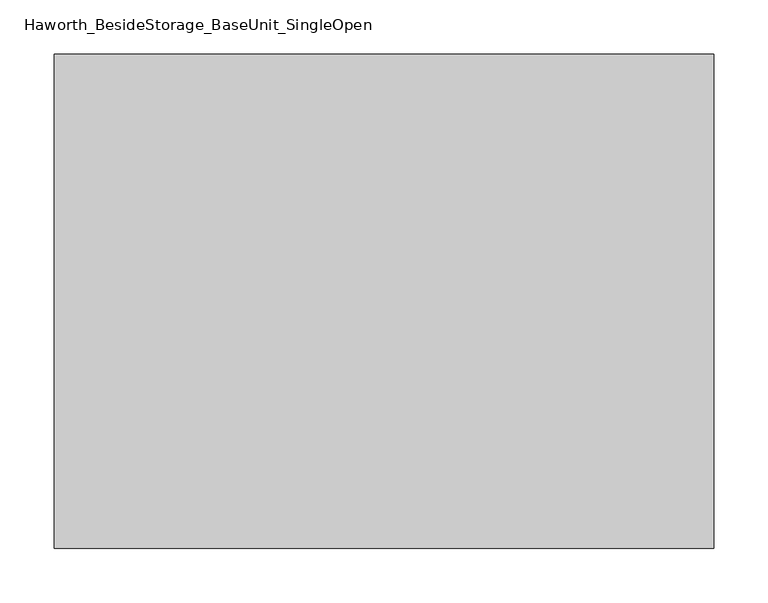
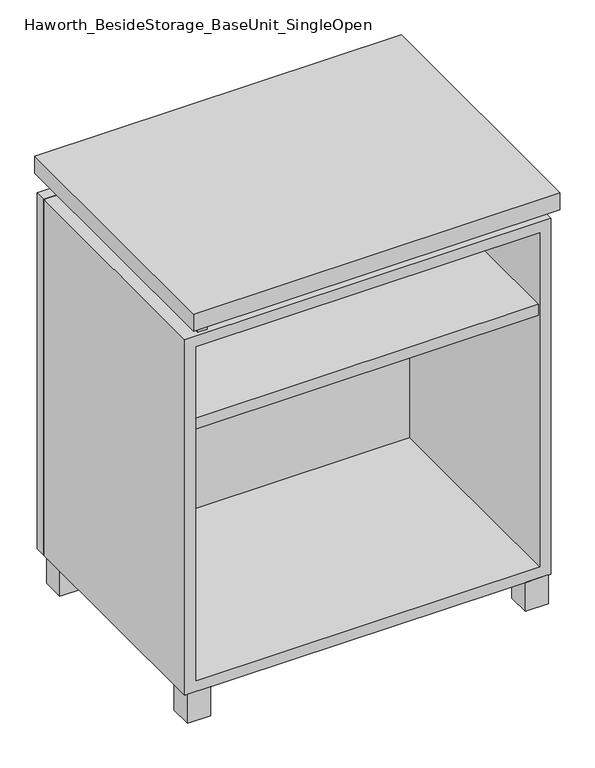
"""IFC4 building model written with IfcOpenShell, lengths in millimetres: furniture geometry, Haworth_BesideStorage_BaseUnit_SingleOpen."""

from ifc_helpers import new_model, si_unit, frame, origin, origin_with_axes, place, context, project, spatial, polyline, outline, extrude, source, transform, mapped, element, save


def haworth_besidestorage_baseunit_singleopen_9165b82f(model_context):
    return source(origin(), model_context, "Body", "SweptSolid", [
        extrude(outline(polyline([(285.7638906, 222.25), (285.7638906, -136.525), (-285.7361094, -136.525), (-285.7361094, 222.25), (285.7638906, 222.25)])), frame((0.0, 0.0, 510.38125), z_axis=(0.0, 0.0, 1.0), x_axis=(1.0, 0.0, 0.0)), (0.0, 0.0, 1.0), 19.05),
        extrude(outline(polyline([(304.8138906, 292.1), (304.8138906, -165.1), (-304.7861094, -165.1), (-304.7861094, 292.1), (304.8138906, 292.1)])), frame((0.0, 0.0, 706.4375), z_axis=(0.0, 0.0, 1.0), x_axis=(1.0, 0.0, 0.0)), (0.0, 0.0, 1.0), 30.1625),
        extrude(outline(polyline([(261.9513906, -101.6), (300.0513906, -101.6), (300.0513906, -139.7), (261.9513906, -139.7), (261.9513906, -101.6)])), origin_with_axes(), (0.0, 0.0, 1.0), 50.8),
        extrude(outline(polyline([(261.9513906, 228.6), (261.9513906, 266.7), (300.0513906, 266.7), (300.0513906, 228.6), (261.9513906, 228.6)])), origin_with_axes(), (0.0, 0.0, 1.0), 50.8),
        extrude(outline(polyline([(-261.9236094, -101.6), (-261.9236094, -139.7), (-300.0236094, -139.7), (-300.0236094, -101.6), (-261.9236094, -101.6)])), origin_with_axes(), (0.0, 0.0, 1.0), 50.8),
        extrude(outline(polyline([(-261.9236094, 228.6), (-300.0236094, 228.6), (-300.0236094, 266.7), (-261.9236094, 266.7), (-261.9236094, 228.6)])), origin_with_axes(), (0.0, 0.0, 1.0), 50.8),
        extrude(outline(polyline([(-279.3791641, -133.35), (-279.3791641, 234.95), (-263.5041641, 234.95), (-263.5041641, 73.025), (263.5111094, 73.025), (263.5111094, 247.65), (279.3861094, 247.65), (279.3861094, -120.65), (263.5111094, -120.65), (263.5111094, 53.975), (-263.5041641, 53.975), (-263.5041641, -133.35), (-279.3791641, -133.35)])), frame((0.0, 0.0, 676.275), z_axis=(0.0, 0.0, 1.0), x_axis=(1.0, 0.0, 0.0)), (0.0, 0.0, 1.0), 30.1625),
        extrude(outline(polyline([(304.8138906, 266.7), (-304.7861094, 266.7), (-304.7861094, 285.75), (304.8138906, 285.75), (304.8138906, 266.7)])), frame((0.0, 0.0, 50.8), z_axis=(0.0, 0.0, 1.0), x_axis=(1.0, 0.0, 0.0)), (0.0, 0.0, 1.0), 625.475),
        extrude(outline(polyline([(50.8, -304.7861094), (50.8, 304.8138906), (676.275, 304.8138906), (676.275, -304.7861094), (50.8, -304.7861094)]), holes=[polyline([(69.85, -285.7361094), (657.225, -285.7361094), (657.225, 285.7569453), (69.85, 285.7569453), (69.85, -285.7361094)])]), frame((0.0, -139.7, 0.0), z_axis=(0.0, 1.0, 0.0), x_axis=(0.0, 0.0, 1.0)), (0.0, 0.0, 1.0), 406.4),
        extrude(outline(polyline([(-285.7291641, 234.95), (-285.7291641, 241.3), (285.7569453, 241.3), (285.7569453, 234.95), (-285.7291641, 234.95)])), frame((0.0, 0.0, 69.85), z_axis=(0.0, 0.0, 1.0), x_axis=(1.0, 0.0, 0.0)), (0.0, 0.0, 1.0), 587.375),
    ])


if __name__ == "__main__":
    model = new_model("IFC4")
    model_context = context("Model", 3, world=origin())
    ifc_project = project(units=[si_unit("LENGTHUNIT", "METRE", prefix="MILLI")], contexts=[model_context])
    site = spatial("IfcSite", under=ifc_project)
    building = spatial("IfcBuilding", under=site)
    placement = place(None, origin())
    haworth_besidestorage_baseunit_singleopen_shape = haworth_besidestorage_baseunit_singleopen_9165b82f(model_context)
    element("IfcFurniture", 1, ObjectType="Haworth_BesideStorage_BaseUnit_SingleOpen", at=placement, inside=building, context=model_context, shape_type="MappedRepresentation", body=[
        mapped(haworth_besidestorage_baseunit_singleopen_shape, transform((0.0, 0.0, 0.0), x_axis=(1.0, 0.0, 0.0), y_axis=(0.0, 1.0, 0.0), z_axis=(0.0, 0.0, 1.0))),
    ])
    save(model, "model.ifc")
